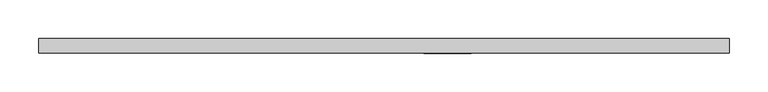
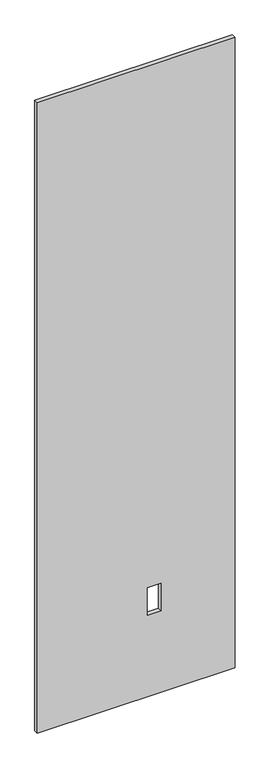
"""IFC4 building model written with IfcOpenShell, lengths in millimetres: proxy geometry."""

from ifc_helpers import new_model, si_unit, frame, origin, place, context, project, spatial, polyline, outline, extrude, source, transform, mapped, element, save


def specialty_equipment_031cbe15(model_context):
    return source(origin(), model_context, "Body", "SweptSolid", [
        extrude(outline(polyline([(3016.25, 447.1822413), (3016.25, -447.1822413), (3.175, -447.1822413), (3.175, 447.1822413), (3016.25, 447.1822413)]), holes=[polyline([(522.478, 112.8268), (391.922, 112.8268), (391.922, 51.3588), (522.478, 51.3588), (522.478, 112.8268)])]), frame((0.0, -9.525, 0.0), z_axis=(0.0, 1.0, 0.0), x_axis=(0.0, 0.0, 1.0)), (0.0, 0.0, 1.0), 19.05),
    ])


if __name__ == "__main__":
    model = new_model("IFC4")
    model_context = context("Model", 3, world=origin())
    ifc_project = project(units=[si_unit("LENGTHUNIT", "METRE", prefix="MILLI")], contexts=[model_context])
    site = spatial("IfcSite", under=ifc_project)
    building = spatial("IfcBuilding", under=site)
    placement = place(None, origin())
    specialty_equipment_shape = specialty_equipment_031cbe15(model_context)
    element("IfcBuildingElementProxy", 1, Name="Specialty Equipment", at=placement, inside=building, context=model_context, shape_type="MappedRepresentation", body=[
        mapped(specialty_equipment_shape, transform((0.0, 0.0, 0.0), x_axis=(1.0, 0.0, 0.0), y_axis=(0.0, 1.0, 0.0), z_axis=(0.0, 0.0, 1.0))),
    ])
    save(model, "model.ifc")
